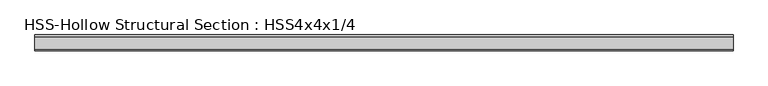
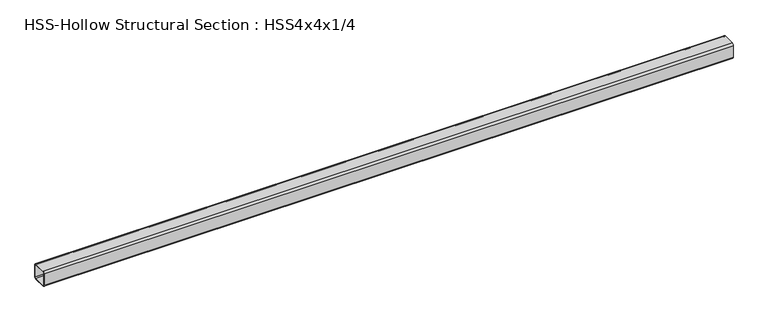
"""IFC4 building model written with IfcOpenShell, lengths in millimetres: member geometry, HSS-Hollow Structural Section : HSS4x4x1/4."""

from ifc_helpers import new_model, si_unit, point, frame, frame_2d, origin, place, context, project, spatial, polyline, circle_curve, trimmed, segment, composite_curve, outline, extrude, source, transform, mapped, element, save


def hss_hollow_structural_section_hss4x4x1_4_4ceac2d0(model_context):
    return source(origin(), model_context, "Body", "SweptSolid", [
        extrude(outline(composite_curve([segment(polyline([(50.8, 38.9636), (50.8, -38.9636)]), True, "CONTINUOUS"), segment(trimmed(circle_curve(frame_2d((38.9636, -38.9636)), 11.8364), [point((50.8, -38.9636))], [point((38.9636, -50.8))], False, "CARTESIAN"), True, "CONTINUOUS"), segment(polyline([(38.9636, -50.8), (-38.9636, -50.8)]), True, "CONTINUOUS"), segment(trimmed(circle_curve(frame_2d((-38.9636, -38.9636)), 11.8364), [point((-38.9636, -50.8))], [point((-50.8, -38.9636))], False, "CARTESIAN"), True, "CONTINUOUS"), segment(polyline([(-50.8, -38.9636), (-50.8, 38.9636)]), True, "CONTINUOUS"), segment(trimmed(circle_curve(frame_2d((-38.9636, 38.9636)), 11.8364), [point((-50.8, 38.9636))], [point((-38.9636, 50.8))], False, "CARTESIAN"), True, "CONTINUOUS"), segment(polyline([(-38.9636, 50.8), (38.9636, 50.8)]), True, "CONTINUOUS"), segment(trimmed(circle_curve(frame_2d((38.9636, 38.9636)), 11.8364), [point((38.9636, 50.8))], [point((50.8, 38.9636))], False, "CARTESIAN"), True, "CONTINUOUS")], self_intersect=False), holes=[composite_curve([segment(trimmed(circle_curve(frame_2d((-38.9636, 38.9636)), 5.9182), [point((-38.9636, 44.8818))], [point((-44.8818, 38.9636))], True, "CARTESIAN"), True, "CONTINUOUS"), segment(polyline([(-44.8818, 38.9636), (-44.8818, -38.9636)]), True, "CONTINUOUS"), segment(trimmed(circle_curve(frame_2d((-38.9636, -38.9636)), 5.9182), [point((-44.8818, -38.9636))], [point((-38.9636, -44.8818))], True, "CARTESIAN"), True, "CONTINUOUS"), segment(polyline([(-38.9636, -44.8818), (38.9636, -44.8818)]), True, "CONTINUOUS"), segment(trimmed(circle_curve(frame_2d((38.9636, -38.9636)), 5.9182), [point((38.9636, -44.8818))], [point((44.8818, -38.9636))], True, "CARTESIAN"), True, "CONTINUOUS"), segment(polyline([(44.8818, -38.9636), (44.8818, 38.9636)]), True, "CONTINUOUS"), segment(trimmed(circle_curve(frame_2d((38.9636, 38.9636)), 5.9182), [point((44.8818, 38.9636))], [point((38.9636, 44.8818))], True, "CARTESIAN"), True, "CONTINUOUS"), segment(polyline([(38.9636, 44.8818), (-38.9636, 44.8818)]), True, "CONTINUOUS")], self_intersect=False)]), frame((-2277.1405031, 0.0, 0.0), z_axis=(1.0, 0.0, 0.0), x_axis=(0.0, 1.0, 0.0)), (0.0, 0.0, 1.0), 4444.5556911),
    ])


if __name__ == "__main__":
    model = new_model("IFC4")
    model_context = context("Model", 3, world=origin())
    ifc_project = project(units=[si_unit("LENGTHUNIT", "METRE", prefix="MILLI")], contexts=[model_context])
    site = spatial("IfcSite", under=ifc_project)
    building = spatial("IfcBuilding", under=site)
    placement = place(None, origin())
    hss_hollow_structural_section_hss4x4x1_4_shape = hss_hollow_structural_section_hss4x4x1_4_4ceac2d0(model_context)
    element("IfcMember", 1, ObjectType="HSS-Hollow Structural Section : HSS4x4x1/4", at=placement, inside=building, context=model_context, shape_type="MappedRepresentation", body=[
        mapped(hss_hollow_structural_section_hss4x4x1_4_shape, transform((0.0, 0.0, 0.0), x_axis=(1.0, 0.0, 0.0), y_axis=(0.0, 1.0, 0.0), z_axis=(0.0, 0.0, 1.0))),
    ])
    save(model, "model.ifc")
